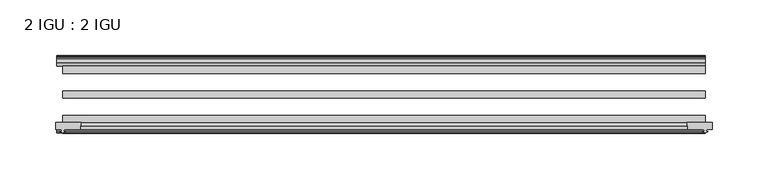
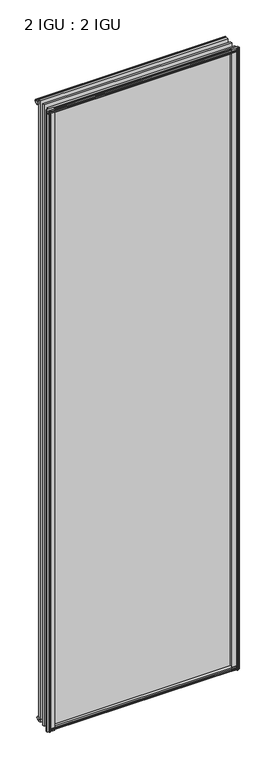
"""IFC4 building model written with IfcOpenShell, lengths in millimetres: plate geometry, 2 IGU : 2 IGU."""

from ifc_helpers import new_model, si_unit, point, frame, frame_2d, origin, origin_with_axes, place, context, project, spatial, polyline, circle_curve, trimmed, segment, composite_curve, outline, extrude, source, transform, mapped, element, save


def plate_2_igu_2_igu_4abda5fa(model_context):
    return source(origin(), model_context, "Body", "SweptSolid", [
        extrude(outline(polyline([(277.7431709, -10.4746158), (279.9207, -9.7670937), (282.0982291, -10.4746158), (282.0982291, -11.27583), (280.6827, -10.8158968), (281.0637, -13.1960937), (285.5087, -13.1960937), (285.5087, -16.1424937), (282.6743578, -19.5460937), (271.8529819, -19.5460937), (273.5707, -13.1960937), (278.7777, -13.1960937), (279.1587, -10.8158968), (277.7431709, -11.27583), (277.7431709, -10.4746158)])), origin_with_axes(), (0.0, 0.0, 1.0), 1993.9),
        extrude(outline(composite_curve([segment(polyline([(-295.275, -69.9960936), (-272.0662713, -69.9960936)]), True, "CONTINUOUS"), segment(trimmed(circle_curve(frame_2d((-260.7088743, -75.0067563)), 12.4135896), [point((-272.0662713, -69.9960936))], [point((-273.05, -76.3460936))], True, "CARTESIAN"), True, "CONTINUOUS"), segment(polyline([(-273.05, -76.3460936), (-287.655, -76.3460936), (-287.9725, -78.4506955), (-286.7538941, -78.124171), (-286.5501, -78.884741), (-288.925, -79.5210936), (-291.2999, -78.884741), (-291.0961059, -78.124171), (-289.8775, -78.4506955), (-290.195, -76.3460936), (-295.275, -76.3460936), (-295.275, -69.9960936)]), True, "CONTINUOUS")], self_intersect=False)), frame((0.0, 0.0, -12.4587), z_axis=(0.0, 0.0, 1.0), x_axis=(1.0, 0.0, 0.0)), (0.0, 0.0, 1.0), 2018.8174),
        extrude(outline(composite_curve([segment(polyline([(272.0662713, -69.9960936), (295.275, -69.9960936), (295.275, -76.3460936), (290.195, -76.3460936), (289.8775, -78.4506955), (291.0961059, -78.124171), (291.2999, -78.884741), (288.925, -79.5210936), (286.5501, -78.884741), (286.7538941, -78.124171), (287.9725, -78.4506955), (287.655, -76.3460936), (273.05, -76.3460936)]), True, "CONTINUOUS"), segment(trimmed(circle_curve(frame_2d((260.7088743, -75.0067563)), 12.4135896), [point((273.05, -76.3460936))], [point((272.0662713, -69.9960936))], True, "CARTESIAN"), True, "CONTINUOUS")], self_intersect=False)), frame((0.0, 0.0, -12.4587), z_axis=(0.0, 0.0, 1.0), x_axis=(1.0, 0.0, 0.0)), (0.0, 0.0, 1.0), 2018.8174),
        extrude(outline(polyline([(-19.5460937, 1.5938931), (-13.1960937, -0.123825), (-13.1960937, -5.330825), (-10.8158968, -5.711825), (-11.27583, -4.2962959), (-10.4746158, -4.2962959), (-9.7670937, -6.473825), (-10.4746158, -8.6513541), (-11.27583, -8.6513541), (-10.8158968, -7.235825), (-13.1960937, -7.616825), (-13.1960937, -12.061825), (-16.1424937, -12.061825), (-19.5460937, -9.2274828), (-19.5460937, 1.5938931)])), frame((-288.925, 0.0, 0.0), z_axis=(1.0, 0.0, 0.0), x_axis=(0.0, 1.0, 0.0)), (0.0, 0.0, 1.0), 577.85),
        extrude(outline(polyline([(-69.9960936, 2.1145931), (-69.9960936, -8.7067828), (-73.3996936, -11.541125), (-76.3460936, -11.541125), (-76.3460936, -7.096125), (-78.7262905, -6.715125), (-78.2663573, -8.1306541), (-79.0675715, -8.1306541), (-79.7750936, -5.953125), (-79.0675715, -3.7755959), (-78.2663573, -3.7755959), (-78.7262905, -5.191125), (-76.3460936, -4.810125), (-76.3460936, 0.396875), (-69.9960936, 2.1145931)])), frame((-288.925, 0.0, 0.0), z_axis=(1.0, 0.0, 0.0), x_axis=(0.0, 1.0, 0.0)), (0.0, 0.0, 1.0), 577.85),
        extrude(outline(polyline([(-10.8158968, 2001.5327), (-11.27583, 2002.9482291), (-10.4746158, 2002.9482291), (-9.7670937, 2000.7707), (-10.4746158, 1998.5931709), (-11.27583, 1998.5931709), (-10.8158968, 2000.0087), (-13.1960937, 1999.6277), (-13.1960937, 1994.4207), (-19.5460937, 1992.7029819), (-19.5460937, 2003.5243578), (-16.1424937, 2006.3587), (-13.1960937, 2006.3587), (-13.1960937, 2001.9137), (-10.8158968, 2001.5327)])), frame((-294.2711059, 0.0, 0.0), z_axis=(1.0, 0.0, 0.0), x_axis=(0.0, 1.0, 0.0)), (0.0, 0.0, 1.0), 583.1961059),
        extrude(outline(polyline([(-76.3460936, 2005.838), (-73.3996936, 2005.838), (-69.9960936, 2003.0036578), (-69.9960936, 1992.1822819), (-76.3460936, 1993.9), (-76.3460936, 1999.107), (-78.7262905, 1999.488), (-78.2663573, 1998.0724709), (-79.0675715, 1998.0724709), (-79.7750936, 2000.25), (-79.0675715, 2002.4275291), (-78.2663573, 2002.4275291), (-78.7262905, 2001.012), (-76.3460936, 2001.393), (-76.3460936, 2005.838)])), frame((-294.2711059, 0.0, 0.0), z_axis=(1.0, 0.0, 0.0), x_axis=(0.0, 1.0, 0.0)), (0.0, 0.0, 1.0), 583.1961059),
        extrude(outline(polyline([(-279.9207, -9.7670937), (-277.7431709, -10.4746158), (-277.7431709, -11.27583), (-279.1587, -10.8158968), (-278.7777, -13.1960937), (-273.5707, -13.1960937), (-271.8529819, -19.5460937), (-282.6743578, -19.5460937), (-285.5087, -16.1424937), (-285.5087, -13.1960937), (-281.0637, -13.1960937), (-280.6827, -10.8158968), (-282.0982291, -11.27583), (-282.0982291, -10.4746158), (-279.9207, -9.7670937)])), origin_with_axes(), (0.0, 0.0, 1.0), 1993.9),
        extrude(outline(polyline([(288.925, -19.5460937), (288.925, -25.8960937), (-288.925, -25.8960937), (-288.925, -19.5460937), (288.925, -19.5460937)])), frame((0.0, 0.0, -12.303125), z_axis=(0.0, 0.0, 1.0), x_axis=(1.0, 0.0, 0.0)), (0.0, 0.0, 1.0), 2018.903125),
        extrude(outline(polyline([(-288.925, -41.5960937), (288.925, -41.5960937), (288.925, -47.9460937), (-288.925, -47.9460937), (-288.925, -41.5960937)])), frame((0.0, 0.0, -12.303125), z_axis=(0.0, 0.0, 1.0), x_axis=(1.0, 0.0, 0.0)), (0.0, 0.0, 1.0), 2018.903125),
        extrude(outline(polyline([(288.925, -63.6460936), (288.925, -69.9960936), (-288.925, -69.9960936), (-288.925, -63.6460936), (288.925, -63.6460936)])), frame((0.0, 0.0, -12.303125), z_axis=(0.0, 0.0, 1.0), x_axis=(1.0, 0.0, 0.0)), (0.0, 0.0, 1.0), 2018.903125),
    ])


if __name__ == "__main__":
    model = new_model("IFC4")
    model_context = context("Model", 3, world=origin())
    ifc_project = project(units=[si_unit("LENGTHUNIT", "METRE", prefix="MILLI")], contexts=[model_context])
    site = spatial("IfcSite", under=ifc_project)
    building = spatial("IfcBuilding", under=site)
    placement = place(None, origin())
    plate_2_igu_2_igu_shape = plate_2_igu_2_igu_4abda5fa(model_context)
    element("IfcPlate", 1, ObjectType="2 IGU : 2 IGU", at=placement, inside=building, context=model_context, shape_type="MappedRepresentation", body=[
        mapped(plate_2_igu_2_igu_shape, transform((0.0, 0.0, 0.0), x_axis=(1.0, 0.0, 0.0), y_axis=(0.0, 1.0, 0.0), z_axis=(0.0, 0.0, 1.0))),
    ])
    save(model, "model.ifc")
